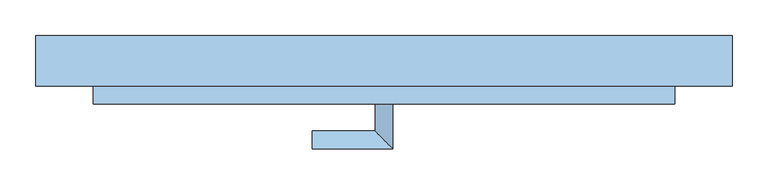
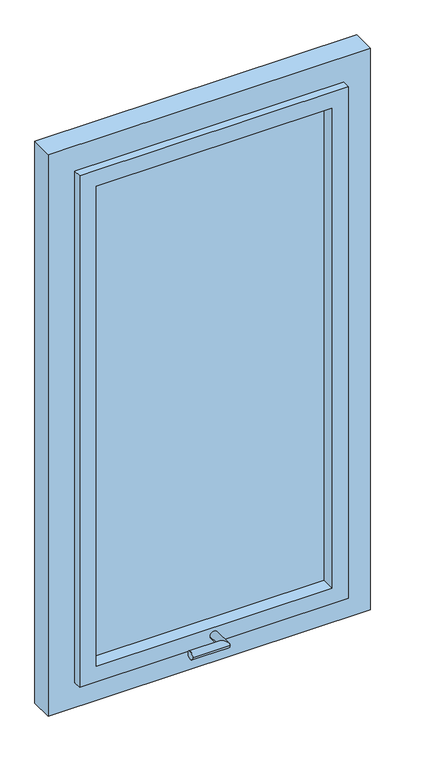
"""IFC4 building model written with IfcOpenShell, lengths in millimetres: window geometry."""

from ifc_helpers import new_model, si_unit, frame, origin, place, context, project, spatial, polyline, circle_curve, ellipse_curve, outline, extrude, faceted_brep, source, transform, mapped, element, save
from ifc_brep_helpers import plane_surface, cylinder_surface, advanced_brep


def window_542cb4d6(model_context):
    return source(origin(), model_context, "Body", "SolidModel", [
        advanced_brep(
        [(244.3584094, -189.9407167, 1005.0), (269.3584094, -189.9407167, 1005.0), (244.3584094, -227.4407167, 1005.0), (269.3584094, -252.4407167, 1005.0), (156.8584094, -227.4407167, 1005.0), (156.8584094, -252.4407167, 1005.0)],
        [
            (0, 1, circle_curve(frame((256.8584094, -189.9407167, 1005.0), z_axis=(0.0, 1.0, 0.0), x_axis=(1.0, 0.0, 0.0)), 12.5)),
            (1, 0, circle_curve(frame((256.8584094, -189.9407167, 1005.0), z_axis=(0.0, 1.0, 0.0), x_axis=(1.0, 0.0, 0.0)), 12.5)),
            (0, 2),
            (2, 3, ellipse_curve(frame((256.8584094, -239.9407167, 1005.0), z_axis=(0.7071067811865475, 0.7071067811865475, 0.0), x_axis=(-0.7071067811865474, 0.7071067811865476, 0.0)), 17.6776695, 12.5)),
            (3, 1),
            (3, 2, ellipse_curve(frame((256.8584094, -239.9407167, 1005.0), z_axis=(0.7071067811865475, 0.7071067811865475, 0.0), x_axis=(-0.7071067811865474, 0.7071067811865476, 0.0)), 17.6776695, 12.5)),
            (4, 5, circle_curve(frame((156.8584094, -239.9407167, 1005.0), z_axis=(-1.0, 0.0, 0.0), x_axis=(0.0, -1.0, 0.0)), 12.5)),
            (5, 4, circle_curve(frame((156.8584094, -239.9407167, 1005.0), z_axis=(-1.0, 0.0, 0.0), x_axis=(0.0, -1.0, 0.0)), 12.5)),
            (2, 4),
            (5, 3),
        ],
        [
            plane_surface(frame((256.8584094, -189.9407167, 1005.0), z_axis=(0.0, 1.0, 0.0), x_axis=(0.0, 0.0, 1.0))),
            cylinder_surface(frame((256.8584094, -189.9407167, 1005.0), z_axis=(0.0, 1.0, 0.0), x_axis=(1.0, 0.0, 0.0)), 12.5),
            plane_surface(frame((156.8584094, -239.9407167, 1005.0), z_axis=(-1.0, 0.0, 0.0), x_axis=(0.0, 0.0, 1.0))),
            cylinder_surface(frame((256.8584094, -239.9407167, 1005.0), z_axis=(1.0, 0.0, 0.0), x_axis=(0.0, -1.0, 0.0)), 12.5),
        ],
        [
            (0, [[1, 2]]),
            (1, [[-1, 3, 4, 5]]),
            (1, [[-2, -5, 6, -3]]),
            (2, [[7, 8]]),
            (3, [[-4, 9, -8, 10]]),
            (3, [[-6, -10, -7, -9]]),
        ],
    ),
        extrude(outline(polyline([(611.8584094, -140.9407167), (611.8584094, -148.9407167), (-98.1415906, -148.9407167), (-98.1415906, -140.9407167), (611.8584094, -140.9407167)])), frame((0.0, 0.0, 1030.0), z_axis=(0.0, 0.0, 1.0), x_axis=(1.0, 0.0, 0.0)), (0.0, 0.0, 1.0), 1530.0),
        faceted_brep([(-148.1415906, -119.9407167, 980.0), (661.8584094, -119.9407167, 980.0), (661.8584094, -164.9407167, 980.0), (661.8584094, -189.9407167, 980.0), (-148.1415906, -189.9407167, 980.0), (-148.1415906, -164.9407167, 980.0), (-98.1415906, -119.9407167, 1030.0), (-98.1415906, -189.9407167, 1030.0), (611.8584094, -189.9407167, 1030.0), (611.8584094, -119.9407167, 1030.0), (661.8584094, -119.9407167, 2610.0), (661.8584094, -164.9407167, 2610.0), (661.8584094, -189.9407167, 2610.0), (611.8584094, -189.9407167, 2560.0), (611.8584094, -119.9407167, 2560.0), (-148.1415906, -119.9407167, 2610.0), (-148.1415906, -164.9407167, 2610.0), (-148.1415906, -189.9407167, 2610.0), (-98.1415906, -189.9407167, 2560.0), (-98.1415906, -119.9407167, 2560.0)], [[[0, 1, 2, 3, 4, 5]], [[6, 7, 8, 9]], [[1, 10, 11, 12, 3, 2]], [[9, 8, 13, 14]], [[10, 15, 16, 17, 12, 11]], [[14, 13, 18, 19]], [[1, 0, 15, 10], [6, 9, 14, 19]], [[15, 0, 5, 4, 17, 16]], [[4, 3, 12, 17], [8, 7, 18, 13]], [[7, 6, 19, 18]]]),
        extrude(outline(polyline([(2690.0, 741.8584094), (2690.0, -228.1415906), (900.0, -228.1415906), (900.0, 741.8584094), (2690.0, 741.8584094)]), holes=[polyline([(2610.0, -148.1415906), (2610.0, 661.8584094), (980.0, 661.8584094), (980.0, -148.1415906), (2610.0, -148.1415906)])]), frame((0.0, -164.9407167, 0.0), z_axis=(0.0, 1.0, 0.0), x_axis=(0.0, 0.0, 1.0)), (0.0, 0.0, 1.0), 70.0),
    ])


if __name__ == "__main__":
    model = new_model("IFC4")
    model_context = context("Model", 3, world=origin())
    ifc_project = project(units=[si_unit("LENGTHUNIT", "METRE", prefix="MILLI")], contexts=[model_context])
    site = spatial("IfcSite", under=ifc_project)
    building = spatial("IfcBuilding", under=site)
    placement = place(None, origin())
    window_shape = window_542cb4d6(model_context)
    element("IfcWindow", 1, at=placement, inside=building, context=model_context, shape_type="MappedRepresentation", body=[
        mapped(window_shape, transform((0.0, 0.0, 0.0), x_axis=(1.0, 0.0, 0.0), y_axis=(0.0, 1.0, 0.0), z_axis=(0.0, 0.0, 1.0))),
    ])
    save(model, "model.ifc")
